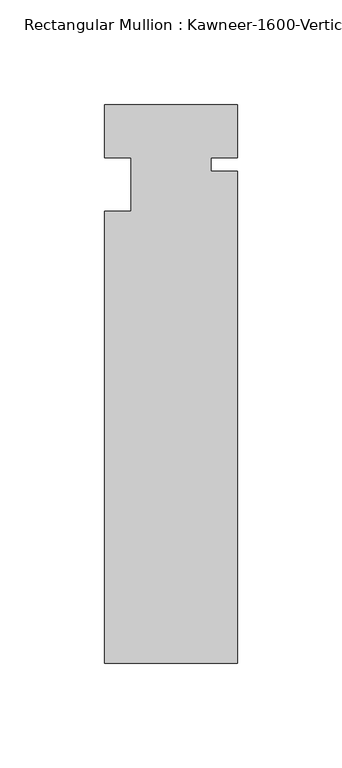
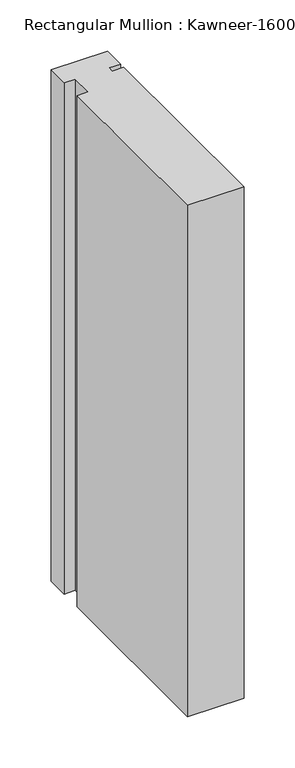
"""IFC4 building model written with IfcOpenShell, lengths in millimetres: member geometry."""

from ifc_helpers import new_model, si_unit, frame, origin, place, context, project, spatial, polyline, outline, extrude, source, transform, mapped, element, save


def member_450d3f8e(model_context):
    return source(origin(), model_context, "Body", "SweptSolid", [
        extrude(outline(polyline([(31.75, -228.6), (-31.75, -228.6), (-31.75, -12.7), (-19.05, -12.7), (-19.05, 12.7), (-31.75, 12.7), (-31.75, 38.1), (31.75, 38.1), (31.75, 12.7), (19.05, 12.7), (19.05, 6.35), (31.75, 6.35), (31.75, -228.6)])), frame((0.0, 0.0, -609.6), z_axis=(0.0, 0.0, 1.0), x_axis=(1.0, 0.0, 0.0)), (0.0, 0.0, 1.0), 609.6),
    ])


if __name__ == "__main__":
    model = new_model("IFC4")
    model_context = context("Model", 3, world=origin())
    ifc_project = project(units=[si_unit("LENGTHUNIT", "METRE", prefix="MILLI")], contexts=[model_context])
    site = spatial("IfcSite", under=ifc_project)
    building = spatial("IfcBuilding", under=site)
    placement = place(None, origin())
    member_shape = member_450d3f8e(model_context)
    element("IfcMember", 1, ObjectType="Rectangular Mullion : Kawneer-1600-Vertical_Interior-System1-10_1/2\"-1/4\"_1\"Infill", at=placement, inside=building, context=model_context, shape_type="MappedRepresentation", body=[
        mapped(member_shape, transform((0.0, 0.0, 0.0), x_axis=(1.0, 0.0, 0.0), y_axis=(0.0, 1.0, 0.0), z_axis=(0.0, 0.0, 1.0))),
    ])
    save(model, "model.ifc")
